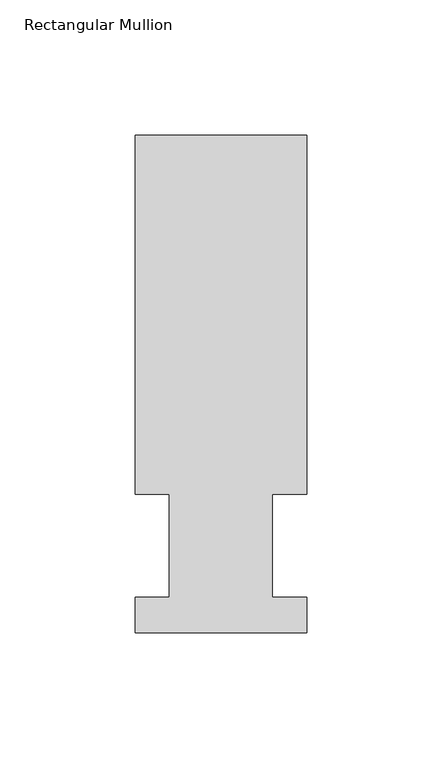
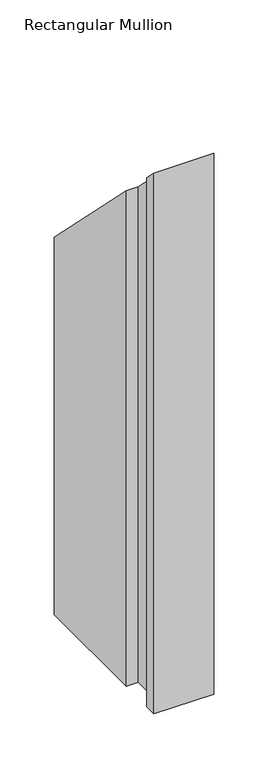
"""IFC4 building model written with IfcOpenShell, lengths in millimetres: member geometry, Rectangular Mullion."""

from ifc_helpers import new_model, si_unit, origin, place, context, project, spatial, faceted_brep, source, transform, mapped, element, save


def rectangular_mullion_41912a1d(model_context):
    return source(origin(), model_context, "Body", "Brep", [
        faceted_brep([(0.0, 184.2396937, -609.56825), (0.0, 51.2960938, -609.56825), (-12.6873001, 51.2960938, -609.56825), (-12.6873001, 13.1960938, -609.56825), (0.0, 13.1960938, -609.56825), (0.0, 0.0134938, -609.56825), (-63.5000001, 0.0134938, -609.56825), (-63.5000001, 13.1960938, -609.56825), (-50.8127001, 13.1960938, -609.56825), (-50.8127001, 51.2960938, -609.56825), (-63.5127, 51.2960938, -609.56825), (-63.5127, 184.2396938, -609.56825), (0.0, 184.2396937, -184.2396937), (0.0, 51.2960938, -51.2960937), (-12.6873001, 51.2960938, -51.2960937), (-12.6873001, 13.1960938, -13.1960938), (0.0, 13.1960938, -13.1960938), (0.0, 0.0134938, -0.0134938), (-63.5000001, 0.0134938, -0.0134938), (-63.5000001, 13.1960938, -13.1960938), (-50.8127001, 13.1960938, -13.1960938), (-50.8127001, 51.2960938, -51.2960937), (-63.5127, 51.2960938, -51.2960937), (-63.5127, 184.2396938, -184.2396937)], [[[0, 1, 2, 3, 4, 5, 6, 7, 8, 9, 10, 11]], [[12, 13, 1, 0]], [[13, 14, 2, 1]], [[14, 15, 3, 2]], [[15, 16, 4, 3]], [[16, 17, 5, 4]], [[17, 18, 6, 5]], [[18, 19, 7, 6]], [[19, 20, 8, 7]], [[20, 21, 9, 8]], [[21, 22, 10, 9]], [[22, 23, 11, 10]], [[23, 12, 0, 11]], [[12, 23, 22, 21, 20, 19, 18, 17, 16, 15, 14, 13]]]),
    ])


if __name__ == "__main__":
    model = new_model("IFC4")
    model_context = context("Model", 3, world=origin())
    ifc_project = project(units=[si_unit("LENGTHUNIT", "METRE", prefix="MILLI")], contexts=[model_context])
    site = spatial("IfcSite", under=ifc_project)
    building = spatial("IfcBuilding", under=site)
    placement = place(None, origin())
    rectangular_mullion_shape = rectangular_mullion_41912a1d(model_context)
    element("IfcMember", 1, ObjectType="Rectangular Mullion", at=placement, inside=building, context=model_context, shape_type="MappedRepresentation", body=[
        mapped(rectangular_mullion_shape, transform((0.0, 0.0, 0.0), x_axis=(1.0, 0.0, 0.0), y_axis=(0.0, 1.0, 0.0), z_axis=(0.0, 0.0, 1.0))),
    ])
    save(model, "model.ifc")
